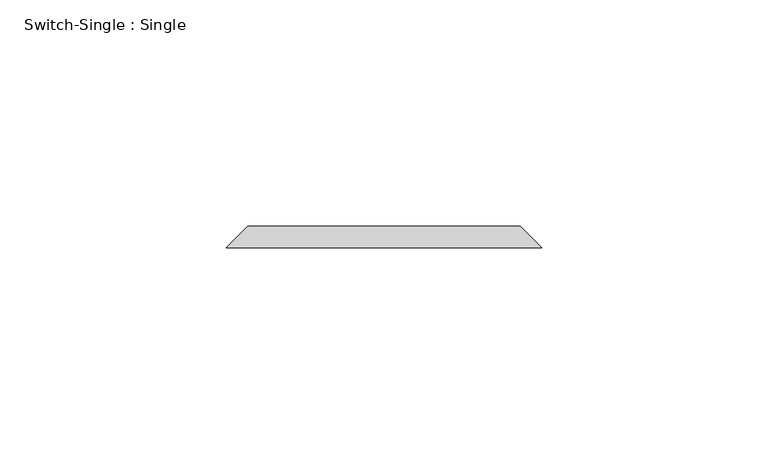
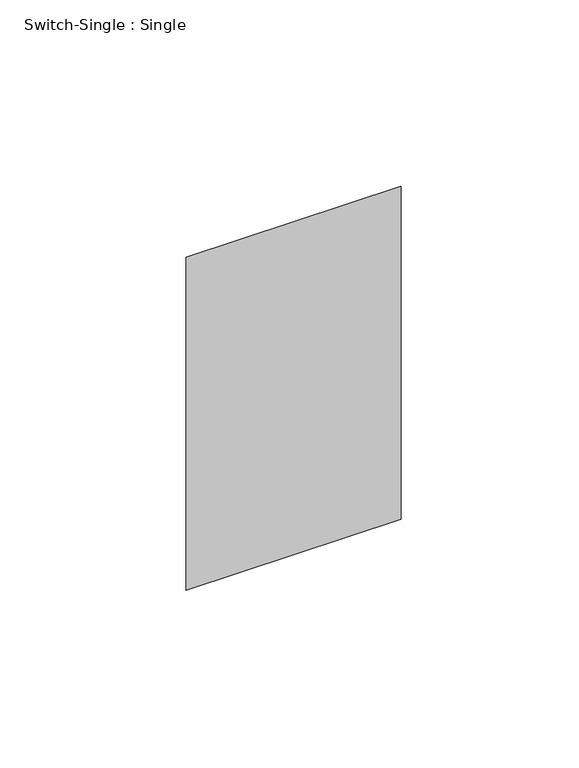
"""IFC4 building model written with IfcOpenShell, lengths in millimetres: proxy geometry, Switch-Single : Single."""

from ifc_helpers import new_model, si_unit, origin, place, context, project, spatial, faceted_brep, source, transform, mapped, element, save


def switch_single_single_5548301c(model_context):
    return source(origin(), model_context, "Body", "Brep", [
        faceted_brep([(-30.1625, 106.3625, 1271.5875), (30.1625, 106.3625, 1271.5875), (30.1625, 106.3625, 1166.8125), (-30.1625, 106.3625, 1166.8125), (-34.925, 101.6, 1276.35), (-34.925, 101.6, 1162.05), (34.925, 101.6, 1162.05), (34.925, 101.6, 1276.35)], [[[0, 1, 2, 3]], [[4, 5, 6, 7]], [[4, 7, 1, 0]], [[7, 6, 2, 1]], [[6, 5, 3, 2]], [[5, 4, 0, 3]]]),
    ])


if __name__ == "__main__":
    model = new_model("IFC4")
    model_context = context("Model", 3, world=origin())
    ifc_project = project(units=[si_unit("LENGTHUNIT", "METRE", prefix="MILLI")], contexts=[model_context])
    site = spatial("IfcSite", under=ifc_project)
    building = spatial("IfcBuilding", under=site)
    placement = place(None, origin())
    switch_single_single_shape = switch_single_single_5548301c(model_context)
    element("IfcBuildingElementProxy", 1, Name="Switch-Single : Single", ObjectType="Switch-Single : Single", at=placement, inside=building, context=model_context, shape_type="MappedRepresentation", body=[
        mapped(switch_single_single_shape, transform((0.0, 0.0, 0.0), x_axis=(1.0, 0.0, 0.0), y_axis=(0.0, 1.0, 0.0), z_axis=(0.0, 0.0, 1.0))),
    ])
    save(model, "model.ifc")
